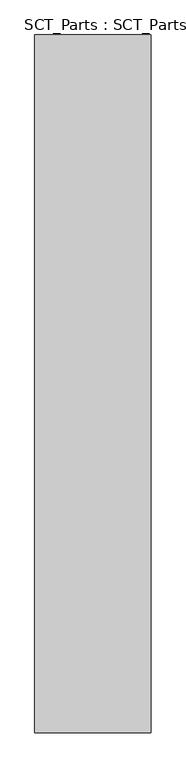
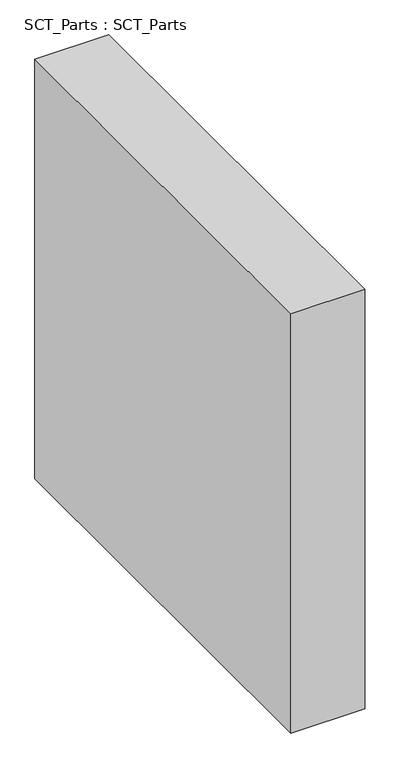
"""IFC4 building model written with IfcOpenShell, lengths in millimetres: proxy geometry, SCT_Parts : SCT_Parts."""

from ifc_helpers import new_model, si_unit, frame, origin, place, context, project, spatial, polyline, outline, extrude, source, transform, mapped, element, save


def sct_parts_sct_parts_a07d2055(model_context):
    return source(origin(), model_context, "Body", "SweptSolid", [
        extrude(outline(polyline([(500.0, 3000.0), (500.0, 0.0), (0.0, 0.0), (0.0, 3000.0), (500.0, 3000.0)])), frame((0.0, 0.0, 4000.0), z_axis=(0.0, 0.0, 1.0), x_axis=(1.0, 0.0, 0.0)), (0.0, 0.0, 1.0), 3000.0),
    ])


if __name__ == "__main__":
    model = new_model("IFC4")
    model_context = context("Model", 3, world=origin())
    ifc_project = project(units=[si_unit("LENGTHUNIT", "METRE", prefix="MILLI")], contexts=[model_context])
    site = spatial("IfcSite", under=ifc_project)
    building = spatial("IfcBuilding", under=site)
    placement = place(None, origin())
    sct_parts_sct_parts_shape = sct_parts_sct_parts_a07d2055(model_context)
    element("IfcBuildingElementProxy", 1, Name="SCT_Parts : SCT_Parts", ObjectType="SCT_Parts : SCT_Parts", at=placement, inside=building, context=model_context, shape_type="MappedRepresentation", body=[
        mapped(sct_parts_sct_parts_shape, transform((0.0, 0.0, 0.0), x_axis=(1.0, 0.0, 0.0), y_axis=(0.0, 1.0, 0.0), z_axis=(0.0, 0.0, 1.0))),
    ])
    save(model, "model.ifc")
